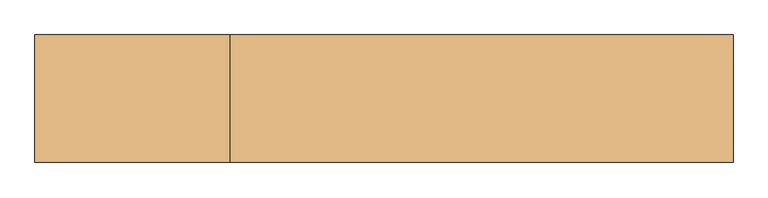
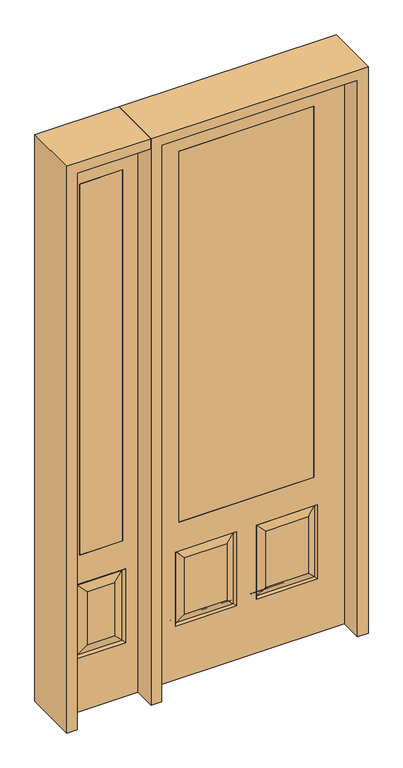
"""IFC4 building model written with IfcOpenShell, lengths in millimetres: door geometry."""

from ifc_helpers import new_model, si_unit, frame, origin, place, context, project, spatial, polyline, outline, extrude, faceted_brep, source, transform, mapped, element, save


def door_f4add8a1(model_context):
    return source(origin(), model_context, "Body", "SolidModel", [
        extrude(outline(polyline([(-514.35, -20.6375), (-692.15, -20.6375), (-692.15, 20.6375), (-514.35, 20.6375), (-514.35, -20.6375)])), frame((0.0, 0.0, 685.8), z_axis=(0.0, 0.0, 1.0), x_axis=(1.0, 0.0, 0.0)), (0.0, 0.0, 1.0), 1625.6),
        faceted_brep([(-755.65, -20.6375, 0.0), (-450.85, -20.6375, 0.0), (-450.85, -20.6375, 2438.4), (-755.65, -20.6375, 2438.4), (-501.65, -20.6375, 234.95), (-704.85, -20.6375, 234.95), (-704.85, -20.6375, 558.8), (-501.65, -20.6375, 558.8), (-514.35, -20.6375, 685.8), (-692.15, -20.6375, 685.8), (-692.15, -20.6375, 2311.4), (-514.35, -20.6375, 2311.4), (-658.8125, -20.6375, 280.9875), (-547.6875, -20.6375, 280.9875), (-547.6875, -20.6375, 512.7625), (-658.8125, -20.6375, 512.7625), (-755.65, 20.6375, 0.0), (-450.85, 20.6375, 0.0), (-450.85, 20.6375, 2438.4), (-755.65, 20.6375, 2438.4), (-510.6302561, -11.6572439, 243.9302561), (-695.8697439, -11.6572439, 243.9302561), (-695.8697439, -11.6572439, 549.8197439), (-510.6302561, -11.6572439, 549.8197439), (-704.85, 20.6375, 234.95), (-501.65, 20.6375, 234.95), (-501.65, 20.6375, 558.8), (-704.85, 20.6375, 558.8), (-692.15, 20.6375, 685.8), (-514.35, 20.6375, 685.8), (-514.35, 20.6375, 2311.4), (-692.15, 20.6375, 2311.4), (-547.6875, 20.6375, 280.9875), (-658.8125, 20.6375, 280.9875), (-658.8125, 20.6375, 512.7625), (-547.6875, 20.6375, 512.7625), (-695.8697439, 11.6572439, 243.9302561), (-510.6302561, 11.6572439, 243.9302561), (-510.6302561, 11.6572439, 549.8197439), (-695.8697439, 11.6572439, 549.8197439)], [[[0, 1, 2, 3], [4, 5, 6, 7], [8, 9, 10, 11]], [[12, 13, 14, 15]], [[1, 0, 16, 17]], [[2, 1, 17, 18]], [[0, 3, 19, 16]], [[20, 21, 5, 4]], [[5, 21, 22, 6]], [[6, 22, 23, 7]], [[20, 4, 7, 23]], [[21, 20, 13, 12]], [[13, 20, 23, 14]], [[22, 15, 14, 23]], [[21, 12, 15, 22]], [[16, 19, 18, 17], [24, 25, 26, 27], [28, 29, 30, 31]], [[32, 33, 34, 35]], [[24, 36, 37, 25]], [[25, 37, 38, 26]], [[39, 27, 26, 38]], [[36, 24, 27, 39]], [[37, 36, 33, 32]], [[33, 36, 39, 34]], [[34, 39, 38, 35]], [[37, 32, 35, 38]], [[3, 2, 18, 19]], [[8, 29, 28, 9]], [[9, 28, 31, 10]], [[29, 8, 11, 30]], [[30, 11, 10, 31]]]),
        faceted_brep([(279.4, 20.6375, 685.8), (279.4, -20.6375, 685.8), (279.4, -20.6375, 2311.4), (279.4, 20.6375, 2311.4), (-279.4, 20.6375, 685.8), (-279.4, -20.6375, 685.8), (-80.1727627, 20.6375, 273.8477627), (-256.3772373, 20.6375, 273.8477627), (-256.3772373, 20.6375, 520.4102373), (-80.1727627, 20.6375, 520.4102373), (256.3772373, 20.6375, 273.8477627), (80.1727627, 20.6375, 273.8477627), (80.1727627, 20.6375, 520.4102373), (256.3772373, 20.6375, 520.4102373), (-406.4, 20.6375, 2438.4), (406.4, 20.6375, 2438.4), (406.4, 20.6375, 0.0), (-406.4, 20.6375, 0.0), (-279.4, 20.6375, 2311.4), (-295.275, 20.6375, 234.95), (-41.275, 20.6375, 234.95), (-41.275, 20.6375, 559.308), (-295.275, 20.6375, 559.308), (41.275, 20.6375, 234.95), (295.275, 20.6375, 234.95), (295.275, 20.6375, 559.308), (41.275, 20.6375, 559.308), (-279.4, -20.6375, 2311.4), (80.1727627, -20.6375, 273.8477627), (256.3772373, -20.6375, 273.8477627), (256.3772373, -20.6375, 520.4102373), (80.1727627, -20.6375, 520.4102373), (-256.3772373, -20.6375, 273.8477627), (-80.1727627, -20.6375, 273.8477627), (-80.1727627, -20.6375, 520.4102373), (-256.3772373, -20.6375, 520.4102373), (406.4, -20.6375, 2438.4), (-406.4, -20.6375, 2438.4), (-406.4, -20.6375, 0.0), (406.4, -20.6375, 0.0), (295.275, -20.6375, 234.95), (41.275, -20.6375, 234.95), (41.275, -20.6375, 559.308), (295.275, -20.6375, 559.308), (-41.275, -20.6375, 234.95), (-295.275, -20.6375, 234.95), (-295.275, -20.6375, 559.308), (-41.275, -20.6375, 559.308), (-287.8714647, 11.4399763, 242.3535353), (-48.6785353, 11.4399763, 242.3535353), (-48.6785353, 11.4399763, 551.9044647), (-287.8714647, 11.4399763, 551.9044647), (48.6785353, 11.4399763, 242.3535353), (287.8714647, 11.4399763, 242.3535353), (287.8714647, 11.4399763, 551.9044647), (48.6785353, 11.4399763, 551.9044647), (287.8714647, -11.4399763, 242.3535353), (48.6785353, -11.4399763, 242.3535353), (48.6785353, -11.4399763, 551.9044647), (287.8714647, -11.4399763, 551.9044647), (-48.6785353, -11.4399763, 242.3535353), (-287.8714647, -11.4399763, 242.3535353), (-287.8714647, -11.4399763, 551.9044647), (-48.6785353, -11.4399763, 551.9044647)], [[[0, 1, 2, 3]], [[1, 0, 4, 5]], [[6, 7, 8, 9]], [[10, 11, 12, 13]], [[14, 15, 16, 17], [4, 0, 3, 18], [19, 20, 21, 22], [23, 24, 25, 26]], [[5, 4, 18, 27]], [[28, 29, 30, 31]], [[32, 33, 34, 35]], [[36, 37, 38, 39], [1, 5, 27, 2], [40, 41, 42, 43], [44, 45, 46, 47]], [[39, 38, 17, 16]], [[37, 14, 17, 38]], [[15, 36, 39, 16]], [[19, 48, 49, 20]], [[20, 49, 50, 21]], [[51, 22, 21, 50]], [[48, 19, 22, 51]], [[49, 48, 7, 6]], [[7, 48, 51, 8]], [[8, 51, 50, 9]], [[49, 6, 9, 50]], [[52, 53, 24, 23]], [[24, 53, 54, 25]], [[25, 54, 55, 26]], [[52, 23, 26, 55]], [[53, 52, 11, 10]], [[11, 52, 55, 12]], [[54, 13, 12, 55]], [[53, 10, 13, 54]], [[40, 56, 57, 41]], [[41, 57, 58, 42]], [[59, 43, 42, 58]], [[56, 40, 43, 59]], [[57, 56, 29, 28]], [[29, 56, 59, 30]], [[30, 59, 58, 31]], [[57, 28, 31, 58]], [[60, 61, 45, 44]], [[45, 61, 62, 46]], [[46, 62, 63, 47]], [[60, 44, 47, 63]], [[61, 60, 33, 32]], [[33, 60, 63, 34]], [[62, 35, 34, 63]], [[61, 32, 35, 62]], [[3, 2, 27, 18]], [[36, 15, 14, 37]]]),
        extrude(outline(polyline([(279.4, -20.6375), (-279.4, -20.6375), (-279.4, 20.6375), (279.4, 20.6375), (279.4, -20.6375)])), frame((0.0, 0.0, 685.8), z_axis=(0.0, 0.0, 1.0), x_axis=(1.0, 0.0, 0.0)), (0.0, 0.0, 1.0), 1625.6),
        extrude(outline(polyline([(2438.4, -450.85), (2482.85, -450.85), (2482.85, -800.1), (0.0, -800.1), (0.0, -755.65), (2438.4, -755.65), (2438.4, -450.85)])), frame((0.0, -114.3, 0.0), z_axis=(0.0, 1.0, 0.0), x_axis=(0.0, 0.0, 1.0)), (0.0, 0.0, 1.0), 228.6),
        extrude(outline(polyline([(2482.85, -450.85), (0.0, -450.85), (0.0, -406.4), (2438.4, -406.4), (2438.4, 406.4), (0.0, 406.4), (0.0, 450.85), (2482.85, 450.85), (2482.85, -450.85)])), frame((0.0, -114.3, 0.0), z_axis=(0.0, 1.0, 0.0), x_axis=(0.0, 0.0, 1.0)), (0.0, 0.0, 1.0), 228.6),
    ])


if __name__ == "__main__":
    model = new_model("IFC4")
    model_context = context("Model", 3, world=origin())
    ifc_project = project(units=[si_unit("LENGTHUNIT", "METRE", prefix="MILLI")], contexts=[model_context])
    site = spatial("IfcSite", under=ifc_project)
    building = spatial("IfcBuilding", under=site)
    placement = place(None, origin())
    door_shape = door_f4add8a1(model_context)
    element("IfcDoor", 1, at=placement, inside=building, context=model_context, shape_type="MappedRepresentation", body=[
        mapped(door_shape, transform((0.0, 0.0, 0.0), x_axis=(1.0, 0.0, 0.0), y_axis=(0.0, 1.0, 0.0), z_axis=(0.0, 0.0, 1.0))),
    ])
    save(model, "model.ifc")
